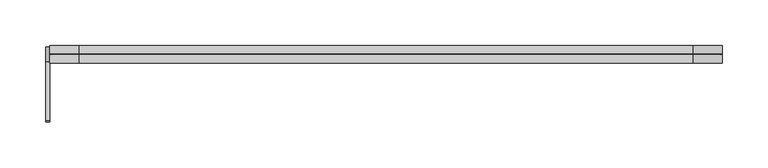
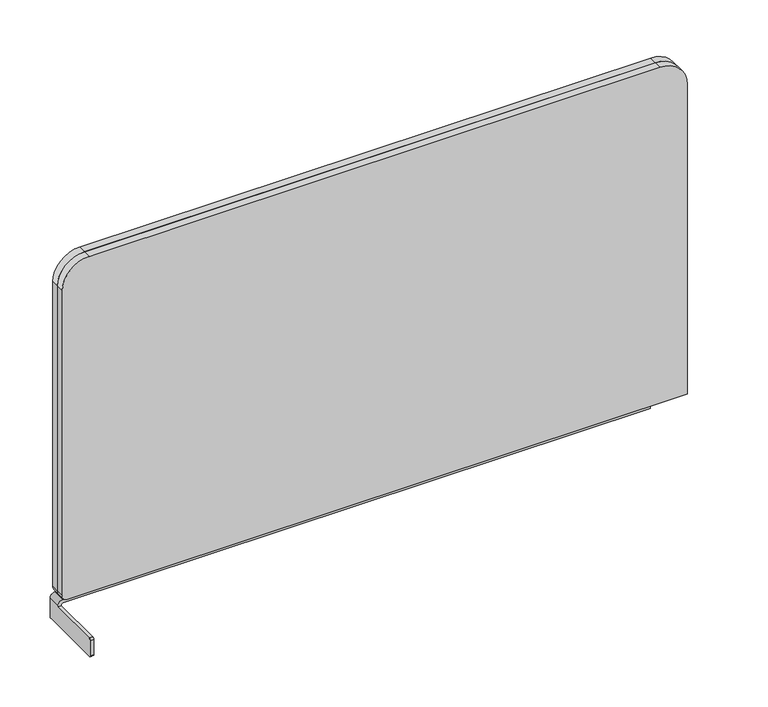
"""IFC4 building model written with IfcOpenShell, lengths in millimetres: furniture geometry."""

from ifc_helpers import new_model, si_unit, frame, origin, place, context, project, spatial, polyline, circle_curve, source, transform, mapped, element, save
from ifc_brep_helpers import plane_surface, cylinder_surface, revolved_surface, advanced_brep


def furniture_1bba4718(model_context):
    return source(origin(), model_context, "Body", "AdvancedBrep", [
        advanced_brep(
        [(726.8622707, 0.0, 420.878), (758.6122707, 0.0, 389.128), (758.6122707, 0.0, 4.0771001), (31.4092739, 0.0, 4.0771001), (25.0592739, 0.0, 10.4271001), (25.0592739, 0.0, 389.128), (56.8092739, 0.0, 420.878), (726.8622707, -19.080971, 420.878), (56.8092739, -19.080971, 420.878), (25.0592739, -19.080971, 389.128), (25.0592739, -19.080971, 10.4271001), (31.4092739, -19.080971, 4.0771001), (758.6122707, -19.080971, 4.0771001), (758.6122707, -19.080971, 389.128), (758.6122707, -9.8106096, 389.128), (726.8622707, -9.8106096, 420.878), (758.6122707, -9.8106096, 4.0771001), (31.4092739, -9.8106096, 4.0771001), (25.0592739, -9.8106096, 10.4271001), (25.0592739, -9.8106096, 389.128), (56.8092739, -9.8106096, 420.878), (726.8622707, -9.3708189, 420.878), (758.6122707, -9.3708189, 389.128), (726.8622707, -9.5907142, 420.1111338), (757.8454046, -9.5907142, 389.128), (758.6122707, -9.3708189, 4.0771001), (757.8454046, -9.5907142, 4.8439663), (31.4092739, -9.3708189, 4.0771001), (31.4092739, -9.5907142, 4.8439663), (25.0592739, -9.3708189, 10.4271001), (25.8261401, -9.5907142, 10.4271001), (25.0592739, -9.3708189, 389.128), (25.8261401, -9.5907142, 389.128), (56.8092739, -9.3708189, 420.878), (56.8092739, -9.5907142, 420.1111338)],
        [
            (0, 1, circle_curve(frame((726.8622707, 0.0, 389.128), z_axis=(0.0, 1.0, 0.0), x_axis=(0.0, 0.0, 1.0)), 31.75)),
            (1, 2),
            (2, 3),
            (3, 4, circle_curve(frame((31.4092739, 0.0, 10.4271001), z_axis=(0.0, 1.0, 0.0), x_axis=(0.0, 0.0, -1.0)), 6.35)),
            (4, 5),
            (5, 6, circle_curve(frame((56.8092739, 0.0, 389.128), z_axis=(0.0, 1.0, 0.0), x_axis=(-1.0, 0.0, 0.0)), 31.75)),
            (6, 0),
            (7, 8),
            (8, 9, circle_curve(frame((56.8092739, -19.080971, 389.128), z_axis=(0.0, -1.0, 0.0), x_axis=(-1.0, 0.0, 0.0)), 31.75)),
            (9, 10),
            (10, 11, circle_curve(frame((31.4092739, -19.080971, 10.4271001), z_axis=(0.0, -1.0, 0.0), x_axis=(0.0, 0.0, -1.0)), 6.35)),
            (11, 12),
            (12, 13),
            (13, 7, circle_curve(frame((726.8622707, -19.080971, 389.128), z_axis=(0.0, -1.0, 0.0), x_axis=(0.0, 0.0, 1.0)), 31.75)),
            (13, 14),
            (14, 15, circle_curve(frame((726.8622707, -9.8106096, 389.128), z_axis=(0.0, -1.0, 0.0), x_axis=(0.0, 0.0, 1.0)), 31.75)),
            (15, 7),
            (12, 16),
            (16, 14),
            (11, 17),
            (17, 16),
            (10, 18),
            (18, 17, circle_curve(frame((31.4092739, -9.8106096, 10.4271001), z_axis=(0.0, -1.0, 0.0), x_axis=(0.0, 0.0, -1.0)), 6.35)),
            (9, 19),
            (19, 18),
            (8, 20),
            (20, 19, circle_curve(frame((56.8092739, -9.8106096, 389.128), z_axis=(0.0, -1.0, 0.0), x_axis=(-1.0, 0.0, 0.0)), 31.75)),
            (15, 20),
            (0, 21),
            (21, 22, circle_curve(frame((726.8622707, -9.3708189, 389.128), z_axis=(0.0, 1.0, 0.0), x_axis=(0.0, 0.0, 1.0)), 31.75)),
            (22, 1),
            (21, 23),
            (23, 24, circle_curve(frame((726.8622707, -9.5907142, 389.128), z_axis=(0.0, 1.0, 0.0), x_axis=(0.0, 0.0, 1.0)), 30.9831338)),
            (24, 22),
            (14, 24),
            (23, 15),
            (22, 25),
            (25, 2),
            (24, 26),
            (26, 25),
            (16, 26),
            (25, 27),
            (27, 3),
            (26, 28),
            (28, 27),
            (17, 28),
            (27, 29, circle_curve(frame((31.4092739, -9.3708189, 10.4271001), z_axis=(0.0, 1.0, 0.0), x_axis=(0.0, 0.0, -1.0)), 6.35)),
            (29, 4),
            (28, 30, circle_curve(frame((31.4092739, -9.5907142, 10.4271001), z_axis=(0.0, 1.0, 0.0), x_axis=(0.0, 0.0, -1.0)), 5.5831338)),
            (30, 29),
            (18, 30),
            (29, 31),
            (31, 5),
            (30, 32),
            (32, 31),
            (19, 32),
            (31, 33, circle_curve(frame((56.8092739, -9.3708189, 389.128), z_axis=(0.0, 1.0, 0.0), x_axis=(-1.0, 0.0, 0.0)), 31.75)),
            (33, 6),
            (32, 34, circle_curve(frame((56.8092739, -9.5907142, 389.128), z_axis=(0.0, 1.0, 0.0), x_axis=(-1.0, 0.0, 0.0)), 30.9831338)),
            (34, 33),
            (20, 34),
            (33, 21),
            (34, 23),
        ],
        [
            plane_surface(frame((26.5962096, 0.0, 10.4271001), z_axis=(0.0, 1.0, 0.0), x_axis=(0.0, 0.0, -1.0))),
            plane_surface(frame((26.5962096, -19.080971, 10.4271001), z_axis=(0.0, -1.0, 0.0), x_axis=(0.0, 0.0, 1.0))),
            cylinder_surface(frame((726.8622707, -9.5907142, 389.128), z_axis=(0.0, -1.0, 0.0), x_axis=(0.0, 0.0, 1.0)), 31.75),
            plane_surface(frame((758.6122707, -9.8106096, 389.128), z_axis=(1.0, 0.0, 0.0), x_axis=(0.0, 0.0, -1.0))),
            plane_surface(frame((758.6122707, -9.8106096, 4.0771001), z_axis=(0.0, 0.0, -1.0), x_axis=(-1.0, 0.0, 0.0))),
            cylinder_surface(frame((31.4092739, -9.5907142, 10.4271001), z_axis=(0.0, -1.0, 0.0), x_axis=(0.0, 0.0, -1.0)), 6.35),
            plane_surface(frame((25.0592739, -9.8106096, 10.4271001), z_axis=(-1.0, 0.0, 0.0), x_axis=(0.0, 0.0, 1.0))),
            cylinder_surface(frame((56.8092739, -9.5907142, 389.128), z_axis=(0.0, -1.0, 0.0), x_axis=(-1.0, 0.0, 0.0)), 31.75),
            plane_surface(frame((56.8092739, -9.8106096, 420.878), z_axis=(0.0, 0.0, 1.0), x_axis=(1.0, 0.0, 0.0))),
            revolved_surface(polyline([(726.8622707, -9.3708189, 420.878), (726.8622707, -9.5907142, 420.1111338)]), (726.8622707, -9.5907142, 389.128), (0.0, -1.0, 0.0)),
            revolved_surface(polyline([(726.8622707, -9.5907142, 420.1111338), (726.8622707, -9.8106096, 420.878)]), (726.8622707, -9.5907142, 389.128), (0.0, -1.0, 0.0)),
            plane_surface(frame((758.6122707, 0.0, 389.128), z_axis=(1.0, 0.0, 0.0), x_axis=(0.0, 0.0, -1.0))),
            plane_surface(frame((758.6122707, -9.3708189, 389.128), z_axis=(0.2756373558146665, -0.9612616959389878, 0.0), x_axis=(0.0, 0.0, -1.0))),
            plane_surface(frame((757.8454046, -9.5907142, 389.128), z_axis=(0.2756373558169924, 0.9612616959383209, 0.0), x_axis=(0.0, 0.0, -1.0))),
            plane_surface(frame((758.6122707, 0.0, 4.0771001), z_axis=(0.0, 0.0, -1.0), x_axis=(-1.0, 0.0, 0.0))),
            plane_surface(frame((758.6122707, -9.3708189, 4.0771001), z_axis=(0.0, -0.9612616959389887, -0.27563735581466337), x_axis=(-1.0, 0.0, 0.0))),
            plane_surface(frame((757.8454046, -9.5907142, 4.8439663), z_axis=(0.0, 0.96126169593832, -0.2756373558169955), x_axis=(-1.0, 0.0, 0.0))),
            revolved_surface(polyline([(31.4092739, -9.3708189, 4.0771001), (31.4092739, -9.5907142, 4.8439663)]), (31.4092739, -9.5907142, 10.4271001), (0.0, -1.0, 0.0)),
            revolved_surface(polyline([(31.4092739, -9.5907142, 4.8439663), (31.4092739, -9.8106096, 4.0771001)]), (31.4092739, -9.5907142, 10.4271001), (0.0, -1.0, 0.0)),
            plane_surface(frame((25.0592739, 0.0, 10.4271001), z_axis=(-1.0, 0.0, 0.0), x_axis=(0.0, 0.0, 1.0))),
            plane_surface(frame((25.0592739, -9.3708189, 10.4271001), z_axis=(-0.27563735581466026, -0.9612616959389896, 0.0), x_axis=(0.0, 0.0, 1.0))),
            plane_surface(frame((25.8261401, -9.5907142, 10.4271001), z_axis=(-0.2756373558169986, 0.9612616959383191, 0.0), x_axis=(0.0, 0.0, 1.0))),
            revolved_surface(polyline([(25.0592739, -9.3708189, 389.128), (25.8261401, -9.5907142, 389.128)]), (56.8092739, -9.5907142, 389.128), (0.0, -1.0, 0.0)),
            revolved_surface(polyline([(25.8261401, -9.5907142, 389.128), (25.0592739, -9.8106096, 389.128)]), (56.8092739, -9.5907142, 389.128), (0.0, -1.0, 0.0)),
            plane_surface(frame((56.8092739, 0.0, 420.878), z_axis=(0.0, 0.0, 1.0), x_axis=(1.0, 0.0, 0.0))),
            plane_surface(frame((56.8092739, -9.3708189, 420.878), z_axis=(0.0, -0.9612616959389887, 0.27563735581466337), x_axis=(1.0, 0.0, 0.0))),
            plane_surface(frame((56.8092739, -9.5907142, 420.1111338), z_axis=(0.0, 0.96126169593832, 0.2756373558169955), x_axis=(1.0, 0.0, 0.0))),
        ],
        [
            (0, [[1, 2, 3, 4, 5, 6, 7]]),
            (1, [[8, 9, 10, 11, 12, 13, 14]]),
            (2, [[15, 16, 17, -14]]),
            (3, [[-13, 18, 19, -15]]),
            (4, [[-12, 20, 21, -18]]),
            (5, [[-11, 22, 23, -20]]),
            (6, [[-10, 24, 25, -22]]),
            (7, [[-9, 26, 27, -24]]),
            (8, [[28, -26, -8, -17]]),
            (2, [[29, 30, 31, -1]]),
            (9, [[32, 33, 34, -30]]),
            (10, [[35, -33, 36, -16]]),
            (11, [[-31, 37, 38, -2]]),
            (12, [[39, 40, -37, -34]]),
            (13, [[41, -39, -35, -19]]),
            (14, [[-38, 42, 43, -3]]),
            (15, [[44, 45, -42, -40]]),
            (16, [[46, -44, -41, -21]]),
            (5, [[-43, 47, 48, -4]]),
            (17, [[49, 50, -47, -45]]),
            (18, [[51, -49, -46, -23]]),
            (19, [[-48, 52, 53, -5]]),
            (20, [[54, 55, -52, -50]]),
            (21, [[56, -54, -51, -25]]),
            (7, [[-53, 57, 58, -6]]),
            (22, [[59, 60, -57, -55]]),
            (23, [[61, -59, -56, -27]]),
            (24, [[-58, 62, -29, -7]]),
            (25, [[-62, -60, 63, -32]]),
            (26, [[-36, -63, -61, -28]]),
        ],
    ),
        advanced_brep(
        [(20.9509491, -3.7153863, -25.3926702), (20.9509491, -81.4393854, -25.3926702), (20.9509491, -83.4713857, -23.3606698), (20.9509491, -83.4713857, -4.64087), (20.9509491, -81.439386, -2.6088703), (20.9509491, -17.4313863, -2.6088703), (20.9509491, -17.4313863, -1.6884961), (20.9509491, -1.683386, -1.6884961), (20.9509491, -1.683386, -23.3606698), (25.0149498, -3.7153863, -25.3926702), (25.0149498, -1.683386, -23.3606698), (25.0149498, -1.683386, -1.7284416), (25.0149498, -17.4313863, -1.7284416), (25.0149498, -17.4313863, -2.6088703), (25.0149498, -81.439386, -2.6088703), (25.0149498, -83.4713857, -4.64087), (25.0149498, -83.4713857, -23.3606698), (25.0149498, -81.4393854, -25.3926702), (26.7309098, -1.683386, 4.0771001), (716.4029649, -1.683386, 4.0771001), (716.4029649, -1.683386, -0.0035662), (26.7309098, -1.683386, -0.0035662), (26.7309098, -17.4313863, -0.0035662), (716.4029649, -17.4313863, -0.0035662), (716.4029649, -17.4313863, 4.0771001), (26.7309098, -17.4313863, 4.0771001)],
        [
            (0, 1),
            (1, 2, circle_curve(frame((20.9509491, -81.4393854, -23.3606698), z_axis=(-1.0, 0.0, 0.0), x_axis=(0.0, 1.0, 0.0)), 2.0320003)),
            (2, 3),
            (3, 4, circle_curve(frame((20.9509491, -81.439386, -4.64087), z_axis=(-1.0, 0.0, 0.0), x_axis=(0.0, 1.0, 0.0)), 2.0319998)),
            (4, 5),
            (5, 6),
            (6, 7),
            (7, 8),
            (8, 0, circle_curve(frame((20.9509491, -3.7153863, -23.3606698), z_axis=(-1.0, 0.0, 0.0), x_axis=(0.0, 1.0, 0.0)), 2.0320003)),
            (9, 10, circle_curve(frame((25.0149498, -3.7153863, -23.3606698), z_axis=(1.0, 0.0, 0.0), x_axis=(0.0, 1.0, 0.0)), 2.0320003)),
            (10, 11),
            (11, 12),
            (12, 13),
            (13, 14),
            (14, 15, circle_curve(frame((25.0149498, -81.439386, -4.64087), z_axis=(1.0, 0.0, 0.0), x_axis=(0.0, 1.0, 0.0)), 2.0319998)),
            (15, 16),
            (16, 17, circle_curve(frame((25.0149498, -81.4393854, -23.3606698), z_axis=(1.0, 0.0, 0.0), x_axis=(0.0, 1.0, 0.0)), 2.0320003)),
            (17, 9),
            (8, 10),
            (9, 0),
            (7, 18, circle_curve(frame((26.7309098, -1.683386, -1.6884961), z_axis=(0.0, 1.0, 0.0), x_axis=(-1.0, 0.0, 0.0)), 5.7655961)),
            (18, 19),
            (19, 20),
            (20, 21),
            (21, 11, circle_curve(frame((26.7309098, -1.683386, -1.7284416), z_axis=(0.0, -1.0, 0.0), x_axis=(-1.0, 0.0, 0.0)), 1.7248755)),
            (13, 5),
            (4, 14),
            (3, 15),
            (2, 16),
            (1, 17),
            (12, 22, circle_curve(frame((26.7309098, -17.4313863, -1.7284416), z_axis=(0.0, 1.0, 0.0), x_axis=(-1.0, 0.0, 0.0)), 1.7248755)),
            (22, 23),
            (23, 24),
            (24, 25),
            (25, 6, circle_curve(frame((26.7309098, -17.4313863, -1.6884961), z_axis=(0.0, -1.0, 0.0), x_axis=(-1.0, 0.0, 0.0)), 5.7655961)),
            (21, 22),
            (25, 18),
            (19, 24),
            (23, 20),
        ],
        [
            plane_surface(frame((20.9509491, -1.683386, -23.3606698), z_axis=(-1.0, 0.0, 0.0), x_axis=(0.0, 0.0, 1.0))),
            plane_surface(frame((25.0149498, -1.683386, -23.3606698), z_axis=(1.0, 0.0, 0.0), x_axis=(0.0, 0.0, -1.0))),
            cylinder_surface(frame((25.0149498, -3.7153863, -23.3606698), z_axis=(-1.0, 0.0, 0.0), x_axis=(0.0, 1.0, 0.0)), 2.0320003),
            plane_surface(frame((20.9509491, -1.683386, -23.3606698), z_axis=(0.0, 1.0, 0.0), x_axis=(1.0, 0.0, 0.0))),
            plane_surface(frame((20.9509491, -1.683386, -2.6088703), z_axis=(0.0, 0.0, 1.0), x_axis=(1.0, 0.0, 0.0))),
            cylinder_surface(frame((25.0149498, -81.439386, -4.64087), z_axis=(-1.0, 0.0, 0.0), x_axis=(0.0, 1.0, 0.0)), 2.0319998),
            plane_surface(frame((20.9509491, -83.4713857, -4.64087), z_axis=(0.0, -1.0, 0.0), x_axis=(1.0, 0.0, 0.0))),
            cylinder_surface(frame((25.0149498, -81.4393854, -23.3606698), z_axis=(-1.0, 0.0, 0.0), x_axis=(0.0, 1.0, 0.0)), 2.0320003),
            plane_surface(frame((20.9509491, -81.4393854, -25.3926702), z_axis=(0.0, 0.0, -1.0), x_axis=(1.0, 0.0, 0.0))),
            plane_surface(frame((20.9509491, -17.4313863, 0.0), z_axis=(0.0, -1.0, 0.0), x_axis=(0.0, 0.0, 1.0))),
            revolved_surface(polyline([(25.0060343, -17.4313863, -1.7284416), (25.0060343, -1.683386, -1.7284416)]), (26.7309098, -1.683386, -1.7284416), (0.0, -1.0, 0.0)),
            cylinder_surface(frame((26.7309098, -1.683386, -1.6884961), z_axis=(0.0, 1.0, 0.0), x_axis=(-1.0, 0.0, 0.0)), 5.7655961),
            plane_surface(frame((716.4029649, -1.683386, -0.0035662), z_axis=(1.0, 0.0, 0.0), x_axis=(0.0, -1.0, 0.0))),
            plane_surface(frame((716.4029649, -1.683386, -0.0035662), z_axis=(0.0, 0.0, -1.0), x_axis=(-1.0, 0.0, 0.0))),
            plane_surface(frame((716.4029649, -17.4313863, 4.0771001), z_axis=(0.0, 0.0, 1.0), x_axis=(-1.0, 0.0, 0.0))),
        ],
        [
            (0, [[1, 2, 3, 4, 5, 6, 7, 8, 9]]),
            (1, [[10, 11, 12, 13, 14, 15, 16, 17, 18]]),
            (2, [[19, -10, 20, -9]]),
            (3, [[-8, 21, 22, 23, 24, 25, -11, -19]]),
            (4, [[-14, 26, -5, 27]]),
            (5, [[28, -15, -27, -4]]),
            (6, [[29, -16, -28, -3]]),
            (7, [[30, -17, -29, -2]]),
            (8, [[-20, -18, -30, -1]]),
            (9, [[31, 32, 33, 34, 35, -6, -26, -13]]),
            (10, [[36, -31, -12, -25]]),
            (11, [[-7, -35, 37, -21]]),
            (12, [[-23, 38, -33, 39]]),
            (13, [[-32, -36, -24, -39]]),
            (14, [[-22, -37, -34, -38]]),
        ],
    ),
    ])


if __name__ == "__main__":
    model = new_model("IFC4")
    model_context = context("Model", 3, world=origin())
    ifc_project = project(units=[si_unit("LENGTHUNIT", "METRE", prefix="MILLI")], contexts=[model_context])
    site = spatial("IfcSite", under=ifc_project)
    building = spatial("IfcBuilding", under=site)
    placement = place(None, origin())
    furniture_shape = furniture_1bba4718(model_context)
    element("IfcFurniture", 1, at=placement, inside=building, context=model_context, shape_type="MappedRepresentation", body=[
        mapped(furniture_shape, transform((0.0, 0.0, 0.0), x_axis=(1.0, 0.0, 0.0), y_axis=(0.0, 1.0, 0.0), z_axis=(0.0, 0.0, 1.0))),
    ])
    save(model, "model.ifc")
